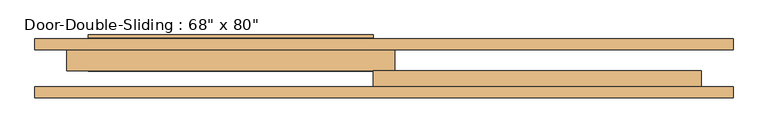
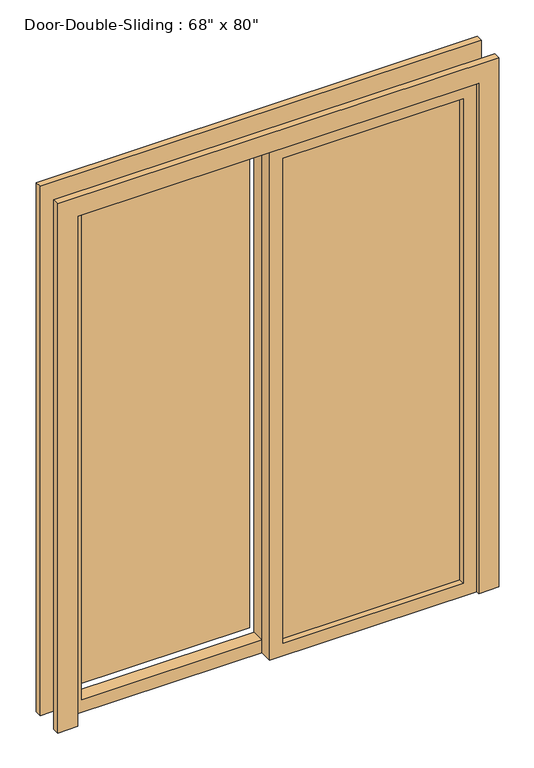
"""IFC4 building model written with IfcOpenShell, lengths in millimetres: door geometry."""

import ifcopenshell
import ifcopenshell.guid

model = None  # the IFC model being written
_history = None  # IfcOwnerHistory: only IFC2X3 demands one
_inside = {}  # id of a spatial element -> (the spatial element, [elements in it])
_under = {}  # id of a project, library or spatial element -> (it, [spatial elements below it])
_declared = {}  # id of a project -> (the project, [libraries it declares])
_typed = {}  # id of a type object -> (the type object, [elements of that type])
_made_of = {}  # id of a material, layer set ... -> (it, [elements and type objects made of it])


def new_model(schema):
    """Start an empty IFC model of exactly this schema.

    Asked for "IFC4X3", IfcOpenShell would pick the latest addendum, in which some entities
    have other attributes; the version numbers below select the first issue.
    IFC2X3 requires an IfcOwnerHistory on every rooted entity: one is made here for all.
    """
    global model, _history
    if schema == "IFC4X3":
        model = ifcopenshell.file(schema_version=(4, 3, 0, 0))
    else:
        model = ifcopenshell.file(schema=schema)
    _inside.clear()
    _under.clear()
    _declared.clear()
    _typed.clear()
    _made_of.clear()
    _history = None
    if model.schema == "IFC2X3":
        org = make("IfcOrganization", Name="unknown")
        user = make(
            "IfcPersonAndOrganization",
            ThePerson=make("IfcPerson", FamilyName="unknown"),
            TheOrganization=org,
        )
        app = make(
            "IfcApplication",
            ApplicationDeveloper=org,
            Version="unknown",
            ApplicationFullName="unknown",
            ApplicationIdentifier="unknown",
        )
        _history = make(
            "IfcOwnerHistory",
            OwningUser=user,
            OwningApplication=app,
            ChangeAction="ADDED",
            CreationDate=0,
        )
    return model


def make(cls, **values):
    """One entity of the class cls with the attributes given. An attribute that is None is left unset."""
    return model.create_entity(
        cls, **{name: value for name, value in values.items() if value is not None}
    )


def rooted(cls, **values):
    """An entity with a GlobalId (a new one), such as an element, a storey or a relation."""
    return make(cls, GlobalId=ifcopenshell.guid.new(), OwnerHistory=_history, **values)


def si_unit(unit_type, name, prefix=None):
    """IfcSIUnit, for example si_unit("LENGTHUNIT", "METRE", prefix="MILLI")."""
    return make("IfcSIUnit", UnitType=unit_type, Prefix=prefix, Name=name)


def assignment(units):
    """IfcUnitAssignment: the units of a project."""
    return None if units is None else make("IfcUnitAssignment", Units=units)


def point(xyz):
    """IfcCartesianPoint."""
    return None if xyz is None else make("IfcCartesianPoint", Coordinates=xyz)


def direction(xyz):
    """IfcDirection."""
    return None if xyz is None else make("IfcDirection", DirectionRatios=xyz)


def frame(location, z_axis=None, x_axis=None):
    """IfcAxis2Placement3D, a coordinate frame: its origin and axes. An axis left out is left unset."""
    return make(
        "IfcAxis2Placement3D",
        Location=point(location),
        Axis=direction(z_axis),
        RefDirection=direction(x_axis),
    )


def origin():
    """The frame at (0, 0, 0) with its axes left unset."""
    return frame((0.0, 0.0, 0.0))


def place(relative_to, where):
    """IfcLocalPlacement: puts the frame where relative to a parent placement (None: the world)."""
    return make(
        "IfcLocalPlacement", PlacementRelTo=relative_to, RelativePlacement=where
    )


def context(
    kind, dimensions, precision=None, world=None, true_north=None, identifier=None
):
    """IfcGeometricRepresentationContext, for example the 3D "Model" context."""
    return make(
        "IfcGeometricRepresentationContext",
        ContextIdentifier=identifier,
        ContextType=kind,
        CoordinateSpaceDimension=dimensions,
        Precision=precision,
        WorldCoordinateSystem=world,
        TrueNorth=true_north,
    )


def project(units=None, contexts=None):
    """IfcProject with its units and contexts."""
    return rooted(
        "IfcProject",
        Name="project",
        RepresentationContexts=contexts,
        UnitsInContext=assignment(units),
    )


def spatial(cls, under=None, at=None, **own):
    """A site, building, storey or space (cls), placed at a placement, below another one or the project."""
    s = rooted(cls, ObjectPlacement=at, **own)
    if under is not None:
        _under.setdefault(under.id(), (under, []))[1].append(s)
    return s


def polyline(points):
    """IfcPolyline through the points."""
    return make("IfcPolyline", Points=[point(p) for p in points])


def outline(outer, holes=None, kind="AREA"):
    """IfcArbitraryClosedProfileDef: a profile drawn as a closed curve; with holes, ...WithVoids."""
    if holes is None:
        return make("IfcArbitraryClosedProfileDef", ProfileType=kind, OuterCurve=outer)
    return make(
        "IfcArbitraryProfileDefWithVoids",
        ProfileType=kind,
        OuterCurve=outer,
        InnerCurves=holes,
    )


def extrude(swept, where, along, depth):
    """IfcExtrudedAreaSolid: the profile swept, set in the frame where, extruded along a direction by depth."""
    return make(
        "IfcExtrudedAreaSolid",
        SweptArea=swept,
        Position=where,
        ExtrudedDirection=direction(along),
        Depth=depth,
    )


def shape(context_of_items, identifier, shape_type, items):
    """IfcShapeRepresentation: the items that make up one representation, for example the "Body"."""
    return make(
        "IfcShapeRepresentation",
        ContextOfItems=context_of_items,
        RepresentationIdentifier=identifier,
        RepresentationType=shape_type,
        Items=items,
    )


def source(mapping_origin, context_of_items, identifier, shape_type, items):
    """IfcRepresentationMap: a shape defined once, which mapped items show again and again."""
    return make(
        "IfcRepresentationMap",
        MappingOrigin=mapping_origin,
        MappedRepresentation=shape(context_of_items, identifier, shape_type, items),
    )


def transform(
    local_origin,
    x_axis=None,
    y_axis=None,
    z_axis=None,
    scale=None,
    scale2=None,
    scale3=None,
    uniform=True,
):
    """IfcCartesianTransformationOperator3D, or its non-uniform kind. x_axis, y_axis, z_axis: its Axis1, 2, 3."""
    if uniform:
        return make(
            "IfcCartesianTransformationOperator3D",
            Axis1=direction(x_axis),
            Axis2=direction(y_axis),
            LocalOrigin=point(local_origin),
            Scale=scale,
            Axis3=direction(z_axis),
        )
    return make(
        "IfcCartesianTransformationOperator3DnonUniform",
        Axis1=direction(x_axis),
        Axis2=direction(y_axis),
        LocalOrigin=point(local_origin),
        Scale=scale,
        Axis3=direction(z_axis),
        Scale2=scale2,
        Scale3=scale3,
    )


def mapped(mapping_source, mapping_target):
    """IfcMappedItem: shows the shape of a source again, moved by a transform."""
    return make(
        "IfcMappedItem", MappingSource=mapping_source, MappingTarget=mapping_target
    )


def made_of(thing, what):
    """Note that an element or type object is made of a material, layer set ...; save() writes the relation."""
    if what is not None:
        _made_of.setdefault(what.id(), (what, []))[1].append(thing)
    return thing


def element(
    cls,
    number,
    at=None,
    inside=None,
    cuts=None,
    type_object=None,
    material=None,
    context=None,
    identifier="Body",
    shape_type=None,
    held_by="IfcProductDefinitionShape",
    body=None,
    shapes=None,
    **own,
):
    """One element of the class cls, such as IfcWall. Its Tag is "e" and its number.

    at: its placement. inside: the storey or other place that contains it. cuts: it is an
    opening in that element (IfcRelVoidsElement). A single representation is given by context,
    identifier, shape_type and body (its items); several are given by shapes. held_by: the class
    of the entity that holds the representations. save() writes the other relations.
    """
    e = rooted(cls, Tag="e%d" % number, ObjectPlacement=at, **own)
    if body is not None:
        shapes = [shape(context, identifier, shape_type, body)]
    if shapes is not None:
        e.Representation = make(held_by, Representations=shapes)
    if inside is not None:
        _inside.setdefault(inside.id(), (inside, []))[1].append(e)
    if cuts is not None:
        rooted(
            "IfcRelVoidsElement", RelatingBuildingElement=cuts, RelatedOpeningElement=e
        )
    if type_object is not None:
        _typed.setdefault(type_object.id(), (type_object, []))[1].append(e)
    return made_of(e, material)


def aggregate(whole, parts):
    """IfcRelAggregates: a whole, such as a stair, and the parts it consists of."""
    return rooted("IfcRelAggregates", RelatingObject=whole, RelatedObjects=parts)


def save(model, path):
    """Write the relations noted so far, then the file.

    IfcRelAggregates (storeys below a building ...), IfcRelContainedInSpatialStructure (elements
    in a storey), IfcRelDefinesByType, IfcRelAssociatesMaterial and IfcRelDeclares: one each for
    every whole, place, type object, material and project.
    """
    for whole, parts in _under.values():
        aggregate(whole, parts)
    for where, things in _inside.values():
        rooted(
            "IfcRelContainedInSpatialStructure",
            RelatedElements=things,
            RelatingStructure=where,
        )
    for kind, things in _typed.values():
        rooted("IfcRelDefinesByType", RelatedObjects=things, RelatingType=kind)
    for what, things in _made_of.values():
        rooted("IfcRelAssociatesMaterial", RelatedObjects=things, RelatingMaterial=what)
    for by, libraries in _declared.values():
        rooted("IfcRelDeclares", RelatingContext=by, RelatedDefinitions=libraries)
    model.write(path)


def door_d01119d2(model_context):
    return source(origin(), model_context, "Body", "SweptSolid", [
        extrude(outline(polyline([(0.0, -831.85), (0.0, -755.65), (2032.0, -755.65), (2032.0, 755.65), (0.0, 755.65), (0.0, 831.85), (2108.2, 831.85), (2108.2, -831.85), (0.0, -831.85)])), frame((0.0, 57.15, 0.0), z_axis=(0.0, 1.0, 0.0), x_axis=(0.0, 0.0, 1.0)), (0.0, 0.0, 1.0), 25.4),
        extrude(outline(polyline([(0.0, 831.85), (2108.2, 831.85), (2108.2, -831.85), (0.0, -831.85), (0.0, -755.65), (2032.0, -755.65), (2032.0, 755.65), (0.0, 755.65), (0.0, 831.85)])), frame((0.0, 171.45, 0.0), z_axis=(0.0, 1.0, 0.0), x_axis=(0.0, 0.0, 1.0)), (0.0, 0.0, 1.0), 25.4),
        extrude(outline(polyline([(2032.0, -25.4), (0.0, -25.4), (0.0, 755.65), (2032.0, 755.65), (2032.0, -25.4)]), holes=[polyline([(1981.2, 25.4), (1981.2, 704.85), (50.8, 704.85), (50.8, 25.4), (1981.2, 25.4)])]), frame((0.0, 69.85, 0.0), z_axis=(0.0, 1.0, 0.0), x_axis=(0.0, 0.0, 1.0)), (0.0, 0.0, 1.0), 50.8),
        extrude(outline(polyline([(2032.0, 25.4), (2032.0, -755.65), (0.0, -755.65), (0.0, 25.4), (2032.0, 25.4)]), holes=[polyline([(1981.2, -25.4), (50.8, -25.4), (50.8, -704.85), (1981.2, -704.85), (1981.2, -25.4)])]), frame((0.0, 120.65, 0.0), z_axis=(0.0, 1.0, 0.0), x_axis=(0.0, 0.0, 1.0)), (0.0, 0.0, 1.0), 50.8),
        extrude(outline(polyline([(25.4, 98.425), (704.85, 98.425), (704.85, 92.075), (25.4, 92.075), (25.4, 98.425)])), frame((0.0, 0.0, 50.8), z_axis=(0.0, 0.0, 1.0), x_axis=(1.0, 0.0, 0.0)), (0.0, 0.0, 1.0), 1930.4),
        extrude(outline(polyline([(-25.4, 200.025), (-704.85, 200.025), (-704.85, 206.375), (-25.4, 206.375), (-25.4, 200.025)])), frame((0.0, 0.0, 50.8), z_axis=(0.0, 0.0, 1.0), x_axis=(1.0, 0.0, 0.0)), (0.0, 0.0, 1.0), 1930.4),
    ])


if __name__ == "__main__":
    model = new_model("IFC4")
    model_context = context("Model", 3, world=origin())
    ifc_project = project(units=[si_unit("LENGTHUNIT", "METRE", prefix="MILLI")], contexts=[model_context])
    site = spatial("IfcSite", under=ifc_project)
    building = spatial("IfcBuilding", under=site)
    placement = place(None, origin())
    door_shape = door_d01119d2(model_context)
    element("IfcDoor", 1, ObjectType="Door-Double-Sliding : 68\" x 80\"", at=placement, inside=building, context=model_context, shape_type="MappedRepresentation", body=[
        mapped(door_shape, transform((0.0, 0.0, 0.0), x_axis=(1.0, 0.0, 0.0), y_axis=(0.0, 1.0, 0.0), z_axis=(0.0, 0.0, 1.0))),
    ])
    save(model, "model.ifc")
